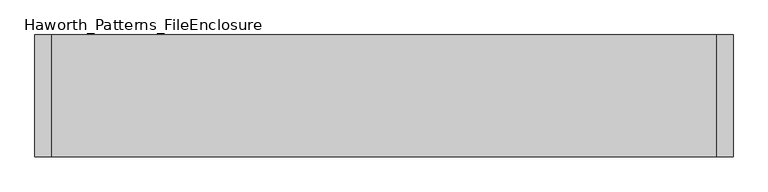
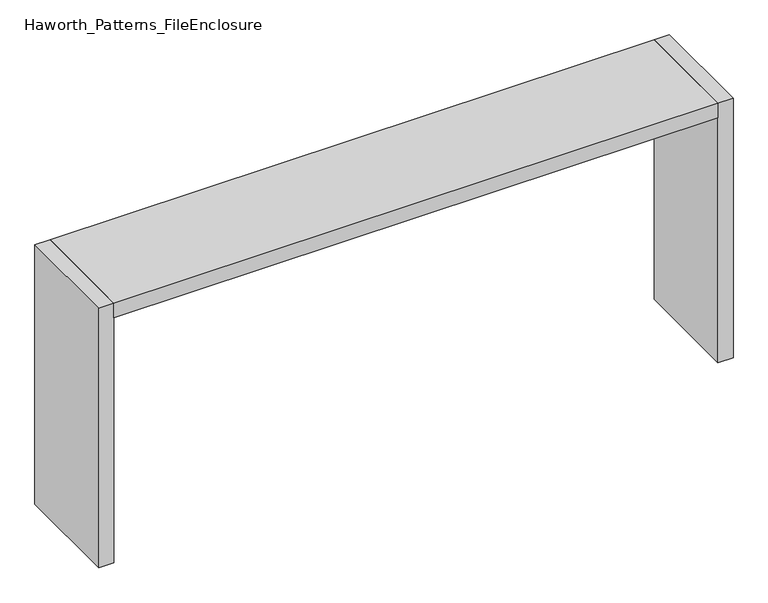
"""IFC4 building model written with IfcOpenShell, lengths in millimetres: furniture geometry, Haworth_Patterns_FileEnclosure."""

from ifc_helpers import new_model, si_unit, frame, origin, origin_with_axes, place, context, project, spatial, polyline, outline, extrude, source, transform, mapped, element, save


def haworth_patterns_fileenclosure_6b819ffa(model_context):
    return source(origin(), model_context, "Body", "SweptSolid", [
        extrude(outline(polyline([(1524.0, 0.0), (1524.0, -558.8), (-1524.0, -558.8), (-1524.0, 0.0), (1524.0, 0.0)])), frame((0.0, 0.0, 1308.1), z_axis=(0.0, 0.0, 1.0), x_axis=(1.0, 0.0, 0.0)), (0.0, 0.0, 1.0), 76.2),
        extrude(outline(polyline([(1524.0, 0.0), (1600.2, 0.0), (1600.2, -558.8), (1524.0, -558.8), (1524.0, 0.0)])), origin_with_axes(), (0.0, 0.0, 1.0), 1384.3),
        extrude(outline(polyline([(-1524.0, 0.0), (-1524.0, -558.8), (-1600.2, -558.8), (-1600.2, 0.0), (-1524.0, 0.0)])), origin_with_axes(), (0.0, 0.0, 1.0), 1384.3),
    ])


if __name__ == "__main__":
    model = new_model("IFC4")
    model_context = context("Model", 3, world=origin())
    ifc_project = project(units=[si_unit("LENGTHUNIT", "METRE", prefix="MILLI")], contexts=[model_context])
    site = spatial("IfcSite", under=ifc_project)
    building = spatial("IfcBuilding", under=site)
    placement = place(None, origin())
    haworth_patterns_fileenclosure_shape = haworth_patterns_fileenclosure_6b819ffa(model_context)
    element("IfcFurniture", 1, ObjectType="Haworth_Patterns_FileEnclosure", at=placement, inside=building, context=model_context, shape_type="MappedRepresentation", body=[
        mapped(haworth_patterns_fileenclosure_shape, transform((0.0, 0.0, 0.0), x_axis=(1.0, 0.0, 0.0), y_axis=(0.0, 1.0, 0.0), z_axis=(0.0, 0.0, 1.0))),
    ])
    save(model, "model.ifc")
